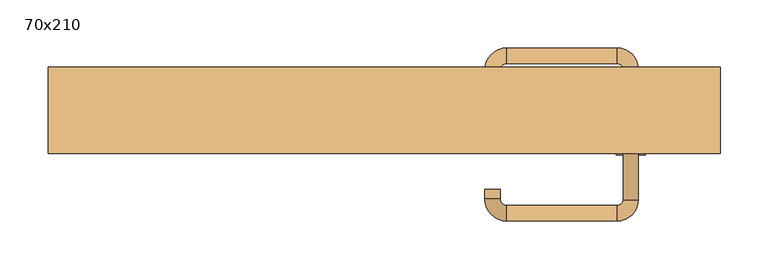
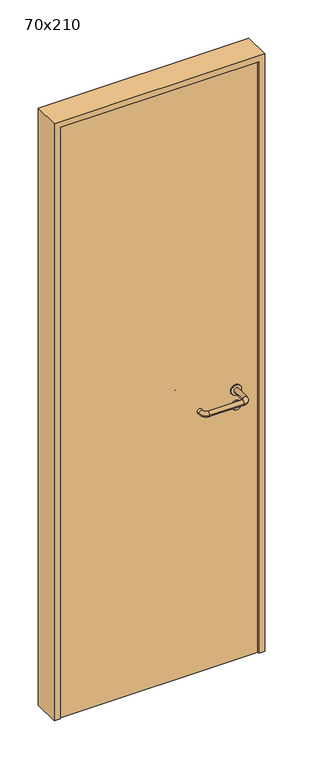
"""IFC4 building model written with IfcOpenShell, lengths in millimetres: door geometry, 70x210."""

from ifc_helpers import new_model, si_unit, point, frame, frame_2d, origin, origin_with_axes, place, context, project, spatial, polyline, circle_curve, ellipse_curve, trimmed, segment, composite_curve, outline, extrude, source, transform, mapped, element, save
from ifc_brep_helpers import plane_surface, cylinder_surface, revolved_surface, advanced_brep


def door_70x210_582e9e74(model_context):
    return source(origin(), model_context, "Body", "SolidModel", [
        extrude(outline(composite_curve([segment(trimmed(circle_curve(frame_2d((897.3605726, 257.0)), 15.0), [point((897.3605726, 272.0))], [point((897.3605726, 242.0))], False, "CARTESIAN"), True, "CONTINUOUS"), segment(trimmed(circle_curve(frame_2d((897.3605726, 257.0)), 15.0), [point((897.3605726, 242.0))], [point((897.3605726, 272.0))], False, "CARTESIAN"), True, "CONTINUOUS")], self_intersect=False), holes=[composite_curve([segment(trimmed(circle_curve(frame_2d((892.5833211, 256.9398032)), 2.0), [point((892.5833211, 258.9398032))], [point((892.5833211, 254.9398032))], True, "CARTESIAN"), True, "CONTINUOUS"), segment(polyline([(892.5833211, 254.9398032), (902.5833211, 254.9398032)]), True, "CONTINUOUS"), segment(trimmed(circle_curve(frame_2d((902.5833211, 256.9398032)), 2.0), [point((902.5833211, 254.9398032))], [point((902.5833211, 258.9398032))], True, "CARTESIAN"), True, "CONTINUOUS"), segment(polyline([(902.5833211, 258.9398032), (892.5833211, 258.9398032)]), True, "CONTINUOUS")], self_intersect=False)]), frame((0.0, -15.0, 0.0), z_axis=(0.0, 1.0, 0.0), x_axis=(0.0, 0.0, 1.0)), (0.0, 0.0, 1.0), 6.35),
        extrude(outline(composite_curve([segment(trimmed(circle_curve(frame_2d((950.0, 257.0)), 17.526), [point((950.0, 274.526))], [point((950.0, 239.474))], False, "CARTESIAN"), True, "CONTINUOUS"), segment(trimmed(circle_curve(frame_2d((950.0, 257.0)), 17.526), [point((950.0, 239.474))], [point((950.0, 274.526))], False, "CARTESIAN"), True, "CONTINUOUS")], self_intersect=False)), frame((0.0, -15.0, 0.0), z_axis=(0.0, 1.0, 0.0), x_axis=(0.0, 0.0, 1.0)), (0.0, 0.0, 1.0), 3.175),
        advanced_brep(
        [(265.0, -15.0, 950.0), (249.0, -15.0, 950.0), (265.0, 38.0, 950.0), (249.0, 38.0, 950.0), (242.8578644, 44.1421356, 950.0), (242.8578644, 60.1421356, 950.0), (127.8578644, 60.1421356, 950.0), (127.8578644, 44.1421356, 950.0), (121.008622, 37.2928932, 950.0), (105.008622, 37.2928932, 950.0), (105.008622, 27.2928932, 950.0), (121.008622, 27.2928932, 950.0)],
        [
            (0, 1, circle_curve(frame((257.0, -15.0, 950.0), z_axis=(0.0, -1.0, 0.0), x_axis=(-1.0, 0.0, 0.0)), 8.0)),
            (1, 0, circle_curve(frame((257.0, -15.0, 950.0), z_axis=(0.0, -1.0, 0.0), x_axis=(-1.0, 0.0, 0.0)), 8.0)),
            (0, 2),
            (2, 3, circle_curve(frame((257.0, 38.0, 950.0), z_axis=(0.0, -1.0, 0.0), x_axis=(-1.0, 0.0, 0.0)), 8.0)),
            (3, 1),
            (3, 2, circle_curve(frame((257.0, 38.0, 950.0), z_axis=(0.0, -1.0, 0.0), x_axis=(-1.0, 0.0, 0.0)), 8.0)),
            (4, 3, circle_curve(frame((242.8578644, 38.0, 950.0), z_axis=(0.0, 0.0, -1.0), x_axis=(1.0, 0.0, 0.0)), 6.1421356)),
            (2, 5, circle_curve(frame((242.8578644, 38.0, 950.0), z_axis=(0.0, 0.0, 1.0), x_axis=(1.0, 0.0, 0.0)), 22.1421356)),
            (5, 4, circle_curve(frame((242.8578644, 52.1421356, 950.0), z_axis=(1.0, 0.0, 0.0), x_axis=(0.0, -1.0, 0.0)), 8.0)),
            (4, 5, circle_curve(frame((242.8578644, 52.1421356, 950.0), z_axis=(1.0, 0.0, 0.0), x_axis=(0.0, -1.0, 0.0)), 8.0)),
            (5, 6),
            (6, 7, circle_curve(frame((127.8578644, 52.1421356, 950.0), z_axis=(1.0, 0.0, 0.0), x_axis=(0.0, -1.0, 0.0)), 8.0)),
            (7, 4),
            (7, 6, circle_curve(frame((127.8578644, 52.1421356, 950.0), z_axis=(1.0, 0.0, 0.0), x_axis=(0.0, -1.0, 0.0)), 8.0)),
            (8, 7, circle_curve(frame((127.8578644, 37.2928932, 950.0), z_axis=(0.0, 0.0, -1.0), x_axis=(0.0, 1.0, 0.0)), 6.8492424)),
            (6, 9, circle_curve(frame((127.8578644, 37.2928932, 950.0), z_axis=(0.0, 0.0, 1.0), x_axis=(0.0, 1.0, 0.0)), 22.8492424)),
            (9, 8, circle_curve(frame((113.008622, 37.2928932, 950.0), z_axis=(0.0, 1.0, 0.0), x_axis=(1.0, 0.0, 0.0)), 8.0)),
            (8, 9, circle_curve(frame((113.008622, 37.2928932, 950.0), z_axis=(0.0, 1.0, 0.0), x_axis=(1.0, 0.0, 0.0)), 8.0)),
            (10, 11, circle_curve(frame((113.008622, 27.2928932, 950.0), z_axis=(0.0, -1.0, 0.0), x_axis=(1.0, 0.0, 0.0)), 8.0)),
            (11, 10, circle_curve(frame((113.008622, 27.2928932, 950.0), z_axis=(0.0, -1.0, 0.0), x_axis=(1.0, 0.0, 0.0)), 8.0)),
            (9, 10),
            (11, 8),
        ],
        [
            plane_surface(frame((257.0, -15.0, 0.0), z_axis=(0.0, -1.0, 0.0), x_axis=(0.0, 0.0, 1.0))),
            cylinder_surface(frame((257.0, -15.0, 950.0), z_axis=(0.0, -1.0, 0.0), x_axis=(-1.0, 0.0, 0.0)), 8.0),
            revolved_surface(trimmed(ellipse_curve(frame((257.0, 38.0, 950.0), z_axis=(0.0, -1.0, 0.0), x_axis=(-1.0, 0.0, 0.0)), 8.0, 8.0), [point((265.0, 38.0, 950.0))], [point((249.0, 38.0, 950.0))], True, "CARTESIAN"), (242.8578644, 38.0, 0.0), (0.0, 0.0, 1.0)),
            revolved_surface(trimmed(ellipse_curve(frame((257.0, 38.0, 950.0), z_axis=(0.0, -1.0, 0.0), x_axis=(-1.0, 0.0, 0.0)), 8.0, 8.0), [point((249.0, 38.0, 950.0))], [point((265.0, 38.0, 950.0))], True, "CARTESIAN"), (242.8578644, 38.0, 0.0), (0.0, 0.0, 1.0)),
            cylinder_surface(frame((242.8578644, 52.1421356, 950.0), z_axis=(1.0, 0.0, 0.0), x_axis=(0.0, -1.0, 0.0)), 8.0),
            revolved_surface(trimmed(ellipse_curve(frame((127.8578644, 52.1421356, 950.0), z_axis=(1.0, 0.0, 0.0), x_axis=(0.0, -1.0, 0.0)), 8.0, 8.0), [point((127.8578644, 60.1421356, 950.0))], [point((127.8578644, 44.1421356, 950.0))], True, "CARTESIAN"), (127.8578644, 37.2928932, 0.0), (0.0, 0.0, 1.0)),
            revolved_surface(trimmed(ellipse_curve(frame((127.8578644, 52.1421356, 950.0), z_axis=(1.0, 0.0, 0.0), x_axis=(0.0, -1.0, 0.0)), 8.0, 8.0), [point((127.8578644, 44.1421356, 950.0))], [point((127.8578644, 60.1421356, 950.0))], True, "CARTESIAN"), (127.8578644, 37.2928932, 0.0), (0.0, 0.0, 1.0)),
            plane_surface(frame((113.008622, 27.2928932, 0.0), z_axis=(0.0, -1.0, 0.0), x_axis=(0.0, 0.0, 1.0))),
            cylinder_surface(frame((113.008622, 37.2928932, 950.0), z_axis=(0.0, 1.0, 0.0), x_axis=(1.0, 0.0, 0.0)), 8.0),
        ],
        [
            (0, [[1, 2]]),
            (1, [[-1, 3, 4, 5]]),
            (1, [[-2, -5, 6, -3]]),
            (2, [[7, -4, 8, 9]]),
            (3, [[-8, -6, -7, 10]]),
            (4, [[-9, 11, 12, 13]]),
            (4, [[-10, -13, 14, -11]]),
            (5, [[15, -12, 16, 17]]),
            (6, [[-16, -14, -15, 18]]),
            (7, [[19, 20]]),
            (8, [[-17, 21, -20, 22]]),
            (8, [[-18, -22, -19, -21]]),
        ],
    ),
        extrude(outline(composite_curve([segment(trimmed(circle_curve(frame_2d((0.0, 15.0)), 15.0), [point((0.0, 30.0))], [point((0.0, 0.0))], False, "CARTESIAN"), True, "CONTINUOUS"), segment(trimmed(circle_curve(frame_2d((0.0, 15.0)), 15.0), [point((0.0, 0.0))], [point((0.0, 30.0))], False, "CARTESIAN"), True, "CONTINUOUS")], self_intersect=False), holes=[composite_curve([segment(trimmed(circle_curve(frame_2d((-4.7772515, 14.9398032)), 2.0), [point((-4.7772515, 16.9398032))], [point((-4.7772515, 12.9398032))], True, "CARTESIAN"), True, "CONTINUOUS"), segment(polyline([(-4.7772515, 12.9398032), (5.2227485, 12.9398032)]), True, "CONTINUOUS"), segment(trimmed(circle_curve(frame_2d((5.2227485, 14.9398032)), 2.0), [point((5.2227485, 12.9398032))], [point((5.2227485, 16.9398032))], True, "CARTESIAN"), True, "CONTINUOUS"), segment(polyline([(5.2227485, 16.9398032), (-4.7772515, 16.9398032)]), True, "CONTINUOUS")], self_intersect=False)]), frame((242.0, -51.35, 897.3605726), z_axis=(-1.8870575173328306e-12, 1.0, 0.0), x_axis=(0.0, 0.0, 1.0)), (0.0, 0.0, 1.0), 6.35),
        extrude(outline(composite_curve([segment(trimmed(circle_curve(frame_2d((0.0, 17.526)), 17.526), [point((0.0, 35.052))], [point((0.0, 0.0))], False, "CARTESIAN"), True, "CONTINUOUS"), segment(trimmed(circle_curve(frame_2d((0.0, 17.526)), 17.526), [point((0.0, 0.0))], [point((0.0, 35.052))], False, "CARTESIAN"), True, "CONTINUOUS")], self_intersect=False)), frame((239.474, -48.175, 950.0), z_axis=(-1.8870575173328306e-12, 1.0, 0.0), x_axis=(0.0, 0.0, 1.0)), (0.0, 0.0, 1.0), 3.175),
        advanced_brep(
        [(265.0, -45.0, 950.0), (249.0, -45.0, 950.0), (249.0, -98.0, 950.0), (265.0, -98.0, 950.0), (242.8578644, -104.1421356, 950.0), (242.8578644, -120.1421356, 950.0), (127.8578644, -104.1421356, 950.0), (127.8578644, -120.1421356, 950.0), (121.008622, -97.2928932, 950.0), (105.008622, -97.2928932, 950.0), (105.008622, -87.2928932, 950.0), (121.008622, -87.2928932, 950.0)],
        [
            (0, 1, circle_curve(frame((257.0, -45.0, 950.0), z_axis=(-1.888672253512351e-12, 1.0, 0.0), x_axis=(-1.0, -1.888672253512351e-12, 0.0)), 8.0)),
            (1, 0, circle_curve(frame((257.0, -45.0, 950.0), z_axis=(-1.888672253512351e-12, 1.0, 0.0), x_axis=(-1.0, -1.888672253512351e-12, 0.0)), 8.0)),
            (1, 2),
            (2, 3, circle_curve(frame((257.0, -98.0, 950.0), z_axis=(-1.888672253512351e-12, 1.0, 0.0), x_axis=(-1.0, -1.888672253512351e-12, 0.0)), 8.0)),
            (3, 0),
            (3, 2, circle_curve(frame((257.0, -98.0, 950.0), z_axis=(-1.888672253512351e-12, 1.0, 0.0), x_axis=(-1.0, -1.888672253512351e-12, 0.0)), 8.0)),
            (4, 5, circle_curve(frame((242.8578644, -112.1421356, 950.0), z_axis=(1.0, 1.913702061528922e-12, 0.0), x_axis=(-1.913702061528922e-12, 1.0, 0.0)), 8.0)),
            (5, 3, circle_curve(frame((242.8578644, -98.0, 950.0), z_axis=(0.0, 0.0, 1.0), x_axis=(1.0, 1.880717803715015e-12, 0.0)), 22.1421356)),
            (2, 4, circle_curve(frame((242.8578644, -98.0, 950.0), z_axis=(0.0, 0.0, -1.0), x_axis=(1.0, 1.880717803715015e-12, 0.0)), 6.1421356)),
            (5, 4, circle_curve(frame((242.8578644, -112.1421356, 950.0), z_axis=(1.0, 1.913702061528922e-12, 0.0), x_axis=(-1.913702061528922e-12, 1.0, 0.0)), 8.0)),
            (4, 6),
            (6, 7, circle_curve(frame((127.8578644, -112.1421356, 950.0), z_axis=(1.0, 1.913719828541269e-12, 0.0), x_axis=(-1.913719828541269e-12, 1.0, 0.0)), 8.0)),
            (7, 5),
            (7, 6, circle_curve(frame((127.8578644, -112.1421356, 950.0), z_axis=(1.0, 1.913719828541269e-12, 0.0), x_axis=(-1.913719828541269e-12, 1.0, 0.0)), 8.0)),
            (8, 9, circle_curve(frame((113.008622, -97.2928932, 950.0), z_axis=(1.8888942981172756e-12, -1.0, 0.0), x_axis=(1.0, 1.8888942981172756e-12, 0.0)), 8.0)),
            (9, 7, circle_curve(frame((127.8578644, -97.2928932, 950.0), z_axis=(0.0, 0.0, 1.0), x_axis=(1.9120873253494017e-12, -1.0, 0.0)), 22.8492424)),
            (6, 8, circle_curve(frame((127.8578644, -97.2928932, 950.0), z_axis=(0.0, 0.0, -1.0), x_axis=(1.9120873253494017e-12, -1.0, 0.0)), 6.8492424)),
            (9, 8, circle_curve(frame((113.008622, -97.2928932, 950.0), z_axis=(1.890448610351751e-12, -1.0, 0.0), x_axis=(1.0, 1.890448610351751e-12, 0.0)), 8.0)),
            (10, 11, circle_curve(frame((113.008622, -87.2928932, 950.0), z_axis=(-1.8903642334018795e-12, 1.0, 0.0), x_axis=(1.0, 1.8903642334018795e-12, 0.0)), 8.0)),
            (11, 10, circle_curve(frame((113.008622, -87.2928932, 950.0), z_axis=(-1.8903642334018795e-12, 1.0, 0.0), x_axis=(1.0, 1.8903642334018795e-12, 0.0)), 8.0)),
            (8, 11),
            (10, 9),
        ],
        [
            plane_surface(frame((257.0, -45.0, 0.0), z_axis=(-1.8870575173328306e-12, 1.0, 0.0), x_axis=(0.0, 0.0, 1.0))),
            cylinder_surface(frame((257.0, -45.0, 950.0), z_axis=(-1.888672253512351e-12, 1.0, 0.0), x_axis=(-1.0, -1.888672253512351e-12, 0.0)), 8.0),
            revolved_surface(trimmed(ellipse_curve(frame((257.0, -98.0, 950.0), z_axis=(1.8823325398945356e-12, -1.0, 0.0), x_axis=(-1.0, -1.8823325398945356e-12, 0.0)), 8.0, 8.0), [point((265.0, -98.0, 950.0))], [point((249.0, -98.0, 950.0))], True, "CARTESIAN"), (242.8578644, -98.0, 0.0), (0.0, 0.0, 1.0)),
            revolved_surface(trimmed(ellipse_curve(frame((257.0, -98.0, 950.0), z_axis=(1.8823325398945356e-12, -1.0, 0.0), x_axis=(-1.0, -1.8823325398945356e-12, 0.0)), 8.0, 8.0), [point((249.0, -98.0, 950.0))], [point((265.0, -98.0, 950.0))], True, "CARTESIAN"), (242.8578644, -98.0, 0.0), (0.0, 0.0, 1.0)),
            cylinder_surface(frame((242.8578644, -112.1421356, 950.0), z_axis=(1.0, 1.913719828541269e-12, 0.0), x_axis=(-1.913719828541269e-12, 1.0, 0.0)), 8.0),
            revolved_surface(trimmed(ellipse_curve(frame((127.8578644, -112.1421356, 950.0), z_axis=(-1.0, -1.913702061528922e-12, 0.0), x_axis=(-1.913702061528922e-12, 1.0, 0.0)), 8.0, 8.0), [point((127.8578644, -120.1421356, 950.0))], [point((127.8578644, -104.1421356, 950.0))], True, "CARTESIAN"), (127.8578644, -97.2928932, 0.0), (0.0, 0.0, 1.0)),
            revolved_surface(trimmed(ellipse_curve(frame((127.8578644, -112.1421356, 950.0), z_axis=(-1.0, -1.913702061528922e-12, 0.0), x_axis=(-1.913702061528922e-12, 1.0, 0.0)), 8.0, 8.0), [point((127.8578644, -104.1421356, 950.0))], [point((127.8578644, -120.1421356, 950.0))], True, "CARTESIAN"), (127.8578644, -97.2928932, 0.0), (0.0, 0.0, 1.0)),
            plane_surface(frame((113.008622, -87.2928932, 0.0), z_axis=(-1.8887494972223595e-12, 1.0, 0.0), x_axis=(0.0, 0.0, 1.0))),
            cylinder_surface(frame((113.008622, -97.2928932, 950.0), z_axis=(1.8903642334018795e-12, -1.0, 0.0), x_axis=(1.0, 1.8903642334018795e-12, 0.0)), 8.0),
        ],
        [
            (0, [[1, 2]]),
            (1, [[3, 4, 5, -2]]),
            (1, [[-5, 6, -3, -1]]),
            (2, [[7, 8, -4, 9]]),
            (3, [[10, -9, -6, -8]]),
            (4, [[11, 12, 13, -7]]),
            (4, [[-13, 14, -11, -10]]),
            (5, [[15, 16, -12, 17]]),
            (6, [[18, -17, -14, -16]]),
            (7, [[19, 20]]),
            (8, [[21, -19, 22, -15]]),
            (8, [[-22, -20, -21, -18]]),
        ],
    ),
        extrude(outline(polyline([(2080.0, 330.0), (0.0, 330.0), (0.0, 350.0), (2100.0, 350.0), (2100.0, -350.0), (0.0, -350.0), (0.0, -330.0), (2080.0, -330.0), (2080.0, 330.0)])), frame((0.0, -50.0, 0.0), z_axis=(0.0, 1.0, 0.0), x_axis=(0.0, 0.0, 1.0)), (0.0, 0.0, 1.0), 90.0),
        extrude(outline(polyline([(-330.0, -45.0), (-330.0, -15.0), (330.0, -15.0), (330.0, -45.0), (-330.0, -45.0)])), origin_with_axes(), (0.0, 0.0, 1.0), 2080.0),
    ])


if __name__ == "__main__":
    model = new_model("IFC4")
    model_context = context("Model", 3, world=origin())
    ifc_project = project(units=[si_unit("LENGTHUNIT", "METRE", prefix="MILLI")], contexts=[model_context])
    site = spatial("IfcSite", under=ifc_project)
    building = spatial("IfcBuilding", under=site)
    placement = place(None, origin())
    door_70x210_shape = door_70x210_582e9e74(model_context)
    element("IfcDoor", 1, ObjectType="70x210", at=placement, inside=building, context=model_context, shape_type="MappedRepresentation", body=[
        mapped(door_70x210_shape, transform((0.0, 0.0, 0.0), x_axis=(1.0, 0.0, 0.0), y_axis=(0.0, 1.0, 0.0), z_axis=(0.0, 0.0, 1.0))),
    ])
    save(model, "model.ifc")
